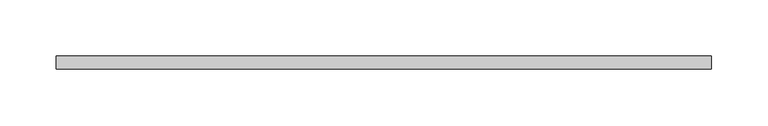
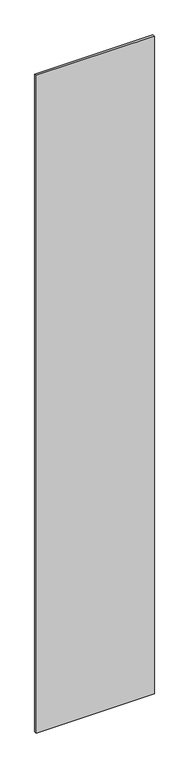
"""IFC4 building model written with IfcOpenShell, lengths in millimetres: plate geometry."""

from ifc_helpers import new_model, si_unit, origin, origin_with_axes, place, context, project, spatial, polyline, outline, extrude, source, transform, mapped, element, save


def plate_da92899d(model_context):
    return source(origin(), model_context, "Body", "SweptSolid", [
        extrude(outline(polyline([(292.7499998, -6.0), (-292.7499998, -6.0), (-292.7499998, 6.0), (292.7499998, 6.0), (292.7499998, -6.0)])), origin_with_axes(), (0.0, 0.0, 1.0), 3443.0),
    ])


if __name__ == "__main__":
    model = new_model("IFC4")
    model_context = context("Model", 3, world=origin())
    ifc_project = project(units=[si_unit("LENGTHUNIT", "METRE", prefix="MILLI")], contexts=[model_context])
    site = spatial("IfcSite", under=ifc_project)
    building = spatial("IfcBuilding", under=site)
    placement = place(None, origin())
    plate_shape = plate_da92899d(model_context)
    element("IfcPlate", 1, at=placement, inside=building, context=model_context, shape_type="MappedRepresentation", body=[
        mapped(plate_shape, transform((0.0, 0.0, 0.0), x_axis=(1.0, 0.0, 0.0), y_axis=(0.0, 1.0, 0.0), z_axis=(0.0, 0.0, 1.0))),
    ])
    save(model, "model.ifc")
